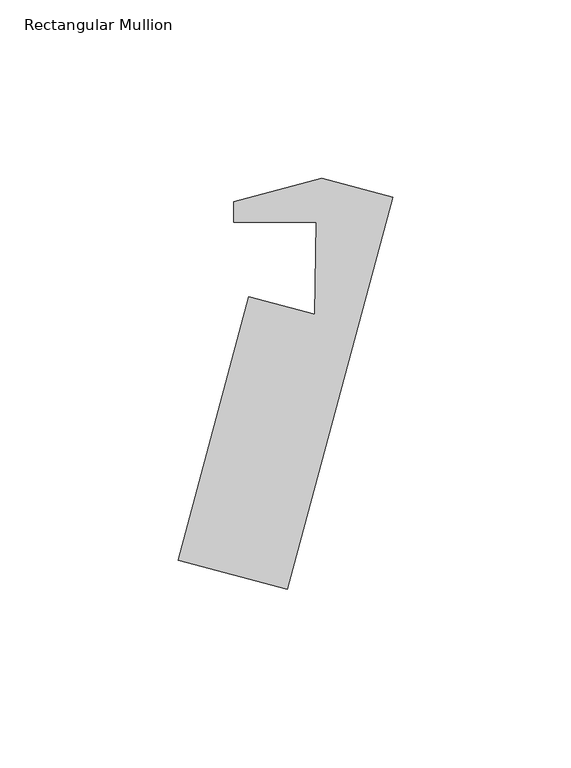
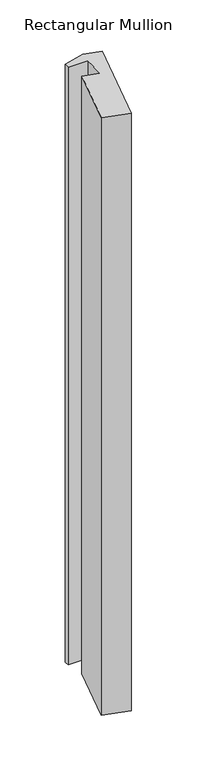
"""IFC4 building model written with IfcOpenShell, lengths in millimetres: member geometry, Rectangular Mullion."""

from ifc_helpers import new_model, si_unit, frame, origin, place, context, project, spatial, polyline, outline, extrude, source, transform, mapped, element, save


def rectangular_mullion_fb998250(model_context):
    return source(origin(), model_context, "Body", "SweptSolid", [
        extrude(outline(polyline([(-41.3727787, 10.7125168), (-16.6940952, 17.3251501), (3.2129952, 11.9910613), (-26.2787582, -98.0736608), (-56.9469032, -89.8561562), (-37.1394299, -15.9336595), (-18.617568, -20.8965774), (-18.1301183, 4.9018396), (-41.3727787, 4.9018396), (-41.3727787, 10.7125168)])), frame((0.0, 0.0, -747.4362205), z_axis=(0.0, 0.0, 1.0), x_axis=(1.0, 0.0, 0.0)), (0.0, 0.0, 1.0), 747.4362205),
    ])


if __name__ == "__main__":
    model = new_model("IFC4")
    model_context = context("Model", 3, world=origin())
    ifc_project = project(units=[si_unit("LENGTHUNIT", "METRE", prefix="MILLI")], contexts=[model_context])
    site = spatial("IfcSite", under=ifc_project)
    building = spatial("IfcBuilding", under=site)
    placement = place(None, origin())
    rectangular_mullion_shape = rectangular_mullion_fb998250(model_context)
    element("IfcMember", 1, ObjectType="Rectangular Mullion", at=placement, inside=building, context=model_context, shape_type="MappedRepresentation", body=[
        mapped(rectangular_mullion_shape, transform((0.0, 0.0, 0.0), x_axis=(1.0, 0.0, 0.0), y_axis=(0.0, 1.0, 0.0), z_axis=(0.0, 0.0, 1.0))),
    ])
    save(model, "model.ifc")
